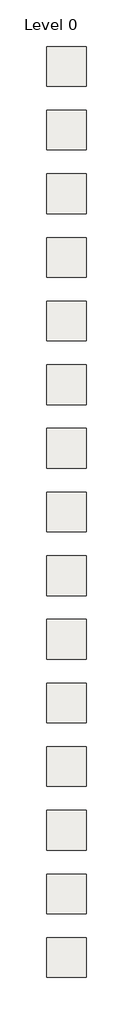
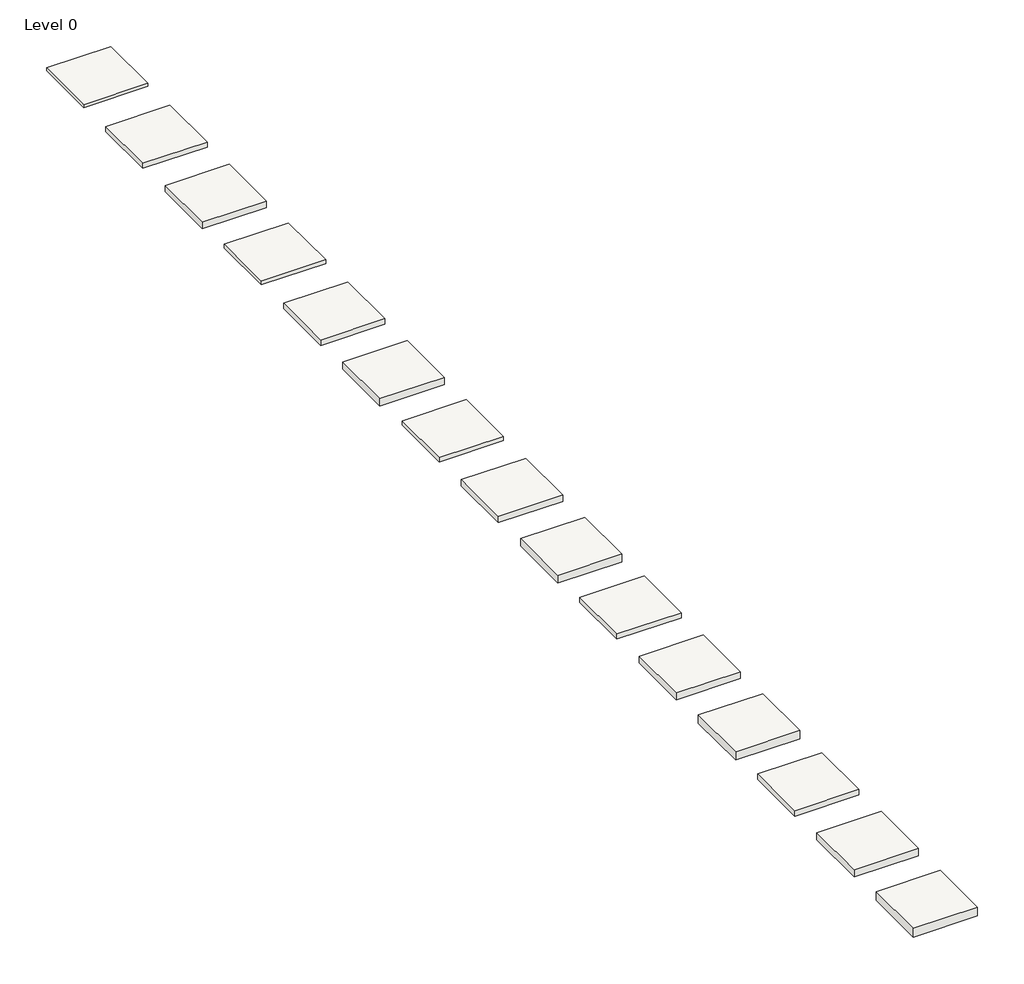
# One storey: 15 coverings.
"""IFC4 building model written with IfcOpenShell, lengths in millimetres."""

from ifc_helpers import new_model, si_unit, frame, origin, place, context, project, spatial, polyline, outline, extrude, element, save

model = new_model("IFC4")

# Units and contexts
model_context = context("Model", 3, world=origin())
ifc_project = project(units=[si_unit("LENGTHUNIT", "METRE", prefix="MILLI")], contexts=[model_context])

# Site, building, storey
site = spatial("IfcSite", under=ifc_project)
building = spatial("IfcBuilding", under=site)
storey = spatial("IfcBuildingStorey", under=building, Name="Level 0", Elevation=0.0)

# Coverings
placement = place(None, origin())
element("IfcCovering", 1, at=placement, inside=storey, context=model_context, shape_type="SweptSolid", body=[
    extrude(outline(polyline([(4758.592582, 3600.012889), (2258.592582, 3600.012889), (2258.592582, 6100.012889), (4758.592582, 6100.012889), (4758.592582, 3600.012889)])), frame((0.0, 0.0, -130.0), z_axis=(0.0, 0.0, 1.0), x_axis=(1.0, 0.0, 0.0)), (0.0, 0.0, 1.0), 130.0),
])
element("IfcCovering", 2, at=placement, inside=storey, context=model_context, shape_type="SweptSolid", body=[
    extrude(outline(polyline([(4758.592582, -399.987111), (2258.592582, -399.987111), (2258.592582, 2100.012889), (4758.592582, 2100.012889), (4758.592582, -399.987111)])), frame((0.0, 0.0, -200.0), z_axis=(0.0, 0.0, 1.0), x_axis=(1.0, 0.0, 0.0)), (0.0, 0.0, 1.0), 200.0),
])
element("IfcCovering", 3, at=placement, inside=storey, context=model_context, shape_type="SweptSolid", body=[
    extrude(outline(polyline([(4758.592582, -4399.987111), (2258.592582, -4399.987111), (2258.592582, -1899.987111), (4758.592582, -1899.987111), (4758.592582, -4399.987111)])), frame((0.0, 0.0, -265.0), z_axis=(0.0, 0.0, 1.0), x_axis=(1.0, 0.0, 0.0)), (0.0, 0.0, 1.0), 265.0),
])
element("IfcCovering", 4, at=placement, inside=storey, context=model_context, shape_type="SweptSolid", body=[
    extrude(outline(polyline([(4758.592582, -8399.987111), (2258.592582, -8399.987111), (2258.592582, -5899.987111), (4758.592582, -5899.987111), (4758.592582, -8399.987111)])), frame((0.0, 0.0, -155.0), z_axis=(0.0, 0.0, 1.0), x_axis=(1.0, 0.0, 0.0)), (0.0, 0.0, 1.0), 155.0),
])
element("IfcCovering", 5, at=placement, inside=storey, context=model_context, shape_type="SweptSolid", body=[
    extrude(outline(polyline([(4758.592582, -12399.987111), (2258.592582, -12399.987111), (2258.592582, -9899.987111), (4758.592582, -9899.987111), (4758.592582, -12399.987111)])), frame((0.0, 0.0, -225.0), z_axis=(0.0, 0.0, 1.0), x_axis=(1.0, 0.0, 0.0)), (0.0, 0.0, 1.0), 225.0),
])
element("IfcCovering", 6, at=placement, inside=storey, context=model_context, shape_type="SweptSolid", body=[
    extrude(outline(polyline([(4758.592582, -16399.987111), (2258.592582, -16399.987111), (2258.592582, -13899.987111), (4758.592582, -13899.987111), (4758.592582, -16399.987111)])), frame((0.0, 0.0, -290.0), z_axis=(0.0, 0.0, 1.0), x_axis=(1.0, 0.0, 0.0)), (0.0, 0.0, 1.0), 290.0),
])
element("IfcCovering", 7, at=placement, inside=storey, context=model_context, shape_type="SweptSolid", body=[
    extrude(outline(polyline([(4758.592582, -20399.987111), (2258.592582, -20399.987111), (2258.592582, -17899.987111), (4758.592582, -17899.987111), (4758.592582, -20399.987111)])), frame((0.0, 0.0, -180.0), z_axis=(0.0, 0.0, 1.0), x_axis=(1.0, 0.0, 0.0)), (0.0, 0.0, 1.0), 180.0),
])
element("IfcCovering", 8, at=placement, inside=storey, context=model_context, shape_type="SweptSolid", body=[
    extrude(outline(polyline([(4758.592582, -24399.987111), (2258.592582, -24399.987111), (2258.592582, -21899.987111), (4758.592582, -21899.987111), (4758.592582, -24399.987111)])), frame((0.0, 0.0, -250.0), z_axis=(0.0, 0.0, 1.0), x_axis=(1.0, 0.0, 0.0)), (0.0, 0.0, 1.0), 250.0),
])
element("IfcCovering", 9, at=placement, inside=storey, context=model_context, shape_type="SweptSolid", body=[
    extrude(outline(polyline([(4758.592582, -28399.987111), (2258.592582, -28399.987111), (2258.592582, -25899.987111), (4758.592582, -25899.987111), (4758.592582, -28399.987111)])), frame((0.0, 0.0, -315.0), z_axis=(0.0, 0.0, 1.0), x_axis=(1.0, 0.0, 0.0)), (0.0, 0.0, 1.0), 315.0),
])
element("IfcCovering", 10, at=placement, inside=storey, context=model_context, shape_type="SweptSolid", body=[
    extrude(outline(polyline([(4758.592582, -32399.987111), (2258.592582, -32399.987111), (2258.592582, -29899.987111), (4758.592582, -29899.987111), (4758.592582, -32399.987111)])), frame((0.0, 0.0, -205.0), z_axis=(0.0, 0.0, 1.0), x_axis=(1.0, 0.0, 0.0)), (0.0, 0.0, 1.0), 205.0),
])
element("IfcCovering", 11, at=placement, inside=storey, context=model_context, shape_type="SweptSolid", body=[
    extrude(outline(polyline([(4758.592582, -36399.987111), (2258.592582, -36399.987111), (2258.592582, -33899.987111), (4758.592582, -33899.987111), (4758.592582, -36399.987111)])), frame((0.0, 0.0, -275.0), z_axis=(0.0, 0.0, 1.0), x_axis=(1.0, 0.0, 0.0)), (0.0, 0.0, 1.0), 275.0),
])
element("IfcCovering", 12, at=placement, inside=storey, context=model_context, shape_type="SweptSolid", body=[
    extrude(outline(polyline([(4758.592582, -40399.987111), (2258.592582, -40399.987111), (2258.592582, -37899.987111), (4758.592582, -37899.987111), (4758.592582, -40399.987111)])), frame((0.0, 0.0, -340.0), z_axis=(0.0, 0.0, 1.0), x_axis=(1.0, 0.0, 0.0)), (0.0, 0.0, 1.0), 340.0),
])
element("IfcCovering", 13, at=placement, inside=storey, context=model_context, shape_type="SweptSolid", body=[
    extrude(outline(polyline([(4758.592582, -44399.987111), (2258.592582, -44399.987111), (2258.592582, -41899.987111), (4758.592582, -41899.987111), (4758.592582, -44399.987111)])), frame((0.0, 0.0, -230.0), z_axis=(0.0, 0.0, 1.0), x_axis=(1.0, 0.0, 0.0)), (0.0, 0.0, 1.0), 230.0),
])
element("IfcCovering", 14, at=placement, inside=storey, context=model_context, shape_type="SweptSolid", body=[
    extrude(outline(polyline([(4758.592582, -48399.987111), (2258.592582, -48399.987111), (2258.592582, -45899.987111), (4758.592582, -45899.987111), (4758.592582, -48399.987111)])), frame((0.0, 0.0, -300.0), z_axis=(0.0, 0.0, 1.0), x_axis=(1.0, 0.0, 0.0)), (0.0, 0.0, 1.0), 300.0),
])
element("IfcCovering", 15, at=placement, inside=storey, context=model_context, shape_type="SweptSolid", body=[
    extrude(outline(polyline([(4758.592582, -52399.987111), (2258.592582, -52399.987111), (2258.592582, -49899.987111), (4758.592582, -49899.987111), (4758.592582, -52399.987111)])), frame((0.0, 0.0, -365.0), z_axis=(0.0, 0.0, 1.0), x_axis=(1.0, 0.0, 0.0)), (0.0, 0.0, 1.0), 365.0),
])

save(model, "model.ifc")
